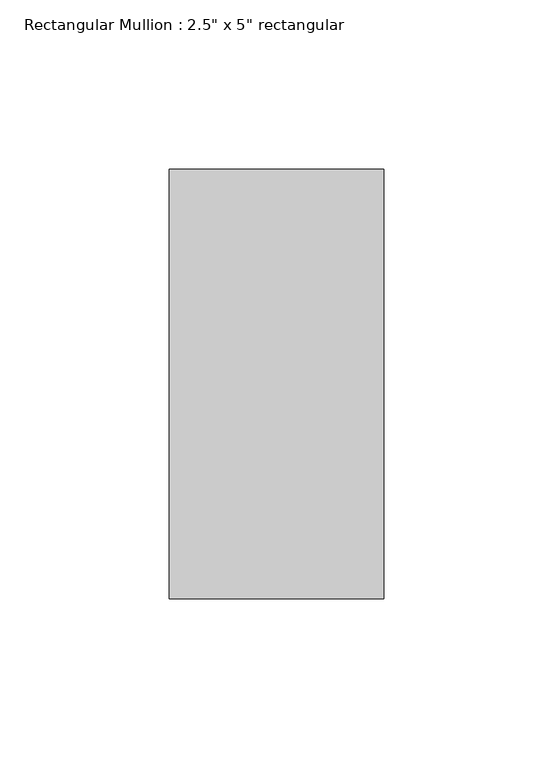
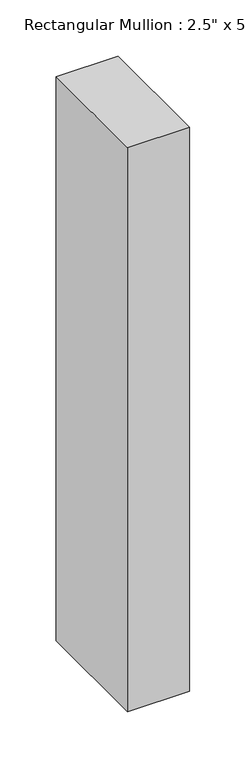
"""IFC4 building model written with IfcOpenShell, lengths in millimetres: member geometry."""

from ifc_helpers import new_model, si_unit, frame, origin, place, context, project, spatial, polyline, outline, extrude, source, transform, mapped, element, save


def member_5bb4b975(model_context):
    return source(origin(), model_context, "Body", "SweptSolid", [
        extrude(outline(polyline([(0.0, 63.5), (0.0, -63.5), (-63.5, -63.5), (-63.5, 63.5), (0.0, 63.5)])), frame((0.0, 0.0, -610.5325622), z_axis=(0.0, 0.0, 1.0), x_axis=(1.0, 0.0, 0.0)), (0.0, 0.0, 1.0), 610.5325622),
    ])


if __name__ == "__main__":
    model = new_model("IFC4")
    model_context = context("Model", 3, world=origin())
    ifc_project = project(units=[si_unit("LENGTHUNIT", "METRE", prefix="MILLI")], contexts=[model_context])
    site = spatial("IfcSite", under=ifc_project)
    building = spatial("IfcBuilding", under=site)
    placement = place(None, origin())
    member_shape = member_5bb4b975(model_context)
    element("IfcMember", 1, ObjectType="Rectangular Mullion : 2.5\" x 5\" rectangular", at=placement, inside=building, context=model_context, shape_type="MappedRepresentation", body=[
        mapped(member_shape, transform((0.0, 0.0, 0.0), x_axis=(1.0, 0.0, 0.0), y_axis=(0.0, 1.0, 0.0), z_axis=(0.0, 0.0, 1.0))),
    ])
    save(model, "model.ifc")
